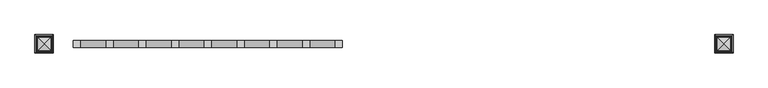
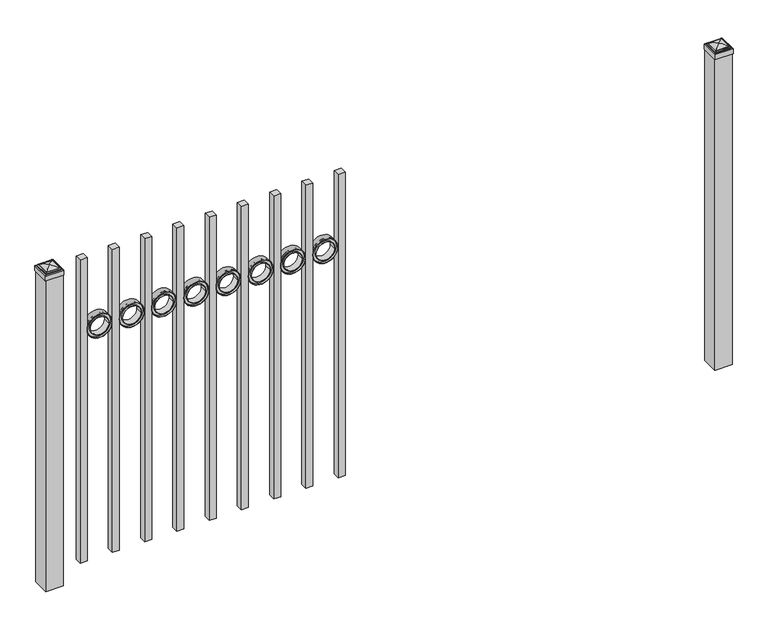
"""IFC4 building model written with IfcOpenShell, lengths in millimetres: railing geometry."""

from ifc_helpers import new_model, si_unit, point, frame, frame_2d, origin, origin_with_axes, place, context, project, spatial, polyline, circle_curve, ellipse_curve, trimmed, segment, composite_curve, outline, extrude, source, transform, mapped, element, save
from ifc_brep_helpers import plane_surface, cylinder_surface, advanced_brep


def railing_fc85cc21(model_context):
    return source(origin(), model_context, "Body", "SolidModel", [
        extrude(outline(polyline([(12529.9100064, 13429.619541), (12555.3100064, 13429.619541), (12555.3100064, 13404.219541), (12529.9100064, 13404.219541), (12529.9100064, 13429.619541)])), frame((0.0, 0.0, 50.8), z_axis=(0.0, 0.0, 1.0), x_axis=(1.0, 0.0, 0.0)), (0.0, 0.0, 1.0), 1168.4),
        extrude(outline(composite_curve([segment(trimmed(circle_curve(frame_2d((940.6040076, 12483.5338655)), 45.6988591), [point((940.6040076, 12529.2327246))], [point((940.6040076, 12437.8350064))], False, "CARTESIAN"), True, "CONTINUOUS"), segment(trimmed(circle_curve(frame_2d((940.6040076, 12483.5338655)), 45.6988591), [point((940.6040076, 12437.8350064))], [point((940.6040076, 12529.2327246))], False, "CARTESIAN"), True, "CONTINUOUS")], self_intersect=False), holes=[composite_curve([segment(trimmed(circle_curve(frame_2d((940.6040076, 12483.5338655)), 44.101539), [point((940.6040076, 12527.6354045))], [point((940.6040076, 12439.4323265))], True, "CARTESIAN"), True, "CONTINUOUS"), segment(trimmed(circle_curve(frame_2d((940.6040076, 12483.5338655)), 44.101539), [point((940.6040076, 12439.4323265))], [point((940.6040076, 12527.6354045))], True, "CARTESIAN"), True, "CONTINUOUS")], self_intersect=False)]), frame((0.0, 13404.219541, 0.0), z_axis=(0.0, 1.0, 0.0), x_axis=(0.0, 0.0, 1.0)), (0.0, 0.0, 1.0), 25.4),
        extrude(outline(composite_curve([segment(trimmed(circle_curve(frame_2d((940.6040076, 12483.5338655)), 34.6370762), [point((940.6040076, 12518.1709417))], [point((940.6040076, 12448.8967893))], False, "CARTESIAN"), True, "CONTINUOUS"), segment(trimmed(circle_curve(frame_2d((940.6040076, 12483.5338655)), 34.6370762), [point((940.6040076, 12448.8967893))], [point((940.6040076, 12518.1709417))], False, "CARTESIAN"), True, "CONTINUOUS")], self_intersect=False), holes=[composite_curve([segment(trimmed(circle_curve(frame_2d((940.6040076, 12483.5338655)), 33.0443887), [point((940.6040076, 12516.5782542))], [point((940.6040076, 12450.4894768))], True, "CARTESIAN"), True, "CONTINUOUS"), segment(trimmed(circle_curve(frame_2d((940.6040076, 12483.5338655)), 33.0443887), [point((940.6040076, 12450.4894768))], [point((940.6040076, 12516.5782542))], True, "CARTESIAN"), True, "CONTINUOUS")], self_intersect=False)]), frame((0.0, 13404.219541, 0.0), z_axis=(0.0, 1.0, 0.0), x_axis=(0.0, 0.0, 1.0)), (0.0, 0.0, 1.0), 25.4),
        extrude(outline(composite_curve([segment(trimmed(circle_curve(frame_2d((940.6040076, 12483.5338655)), 45.6988591), [point((940.6040076, 12529.2327246))], [point((940.6040076, 12437.8350064))], False, "CARTESIAN"), True, "CONTINUOUS"), segment(trimmed(circle_curve(frame_2d((940.6040076, 12483.5338655)), 45.6988591), [point((940.6040076, 12437.8350064))], [point((940.6040076, 12529.2327246))], False, "CARTESIAN"), True, "CONTINUOUS")], self_intersect=False), holes=[composite_curve([segment(trimmed(circle_curve(frame_2d((940.6040076, 12483.5338655)), 33.0443887), [point((940.6040076, 12516.5782542))], [point((940.6040076, 12450.4894768))], True, "CARTESIAN"), True, "CONTINUOUS"), segment(trimmed(circle_curve(frame_2d((940.6040076, 12483.5338655)), 33.0443887), [point((940.6040076, 12450.4894768))], [point((940.6040076, 12516.5782542))], True, "CARTESIAN"), True, "CONTINUOUS")], self_intersect=False)]), frame((0.0, 13410.569541, 0.0), z_axis=(0.0, 1.0, 0.0), x_axis=(0.0, 0.0, 1.0)), (0.0, 0.0, 1.0), 12.7),
        extrude(outline(polyline([(12412.4350064, 13429.619541), (12437.8350064, 13429.619541), (12437.8350064, 13404.219541), (12412.4350064, 13404.219541), (12412.4350064, 13429.619541)])), frame((0.0, 0.0, 50.8), z_axis=(0.0, 0.0, 1.0), x_axis=(1.0, 0.0, 0.0)), (0.0, 0.0, 1.0), 1168.4),
        extrude(outline(composite_curve([segment(trimmed(circle_curve(frame_2d((940.6040076, 12366.0588655)), 45.6988591), [point((940.6040076, 12411.7577246))], [point((940.6040076, 12320.3600064))], False, "CARTESIAN"), True, "CONTINUOUS"), segment(trimmed(circle_curve(frame_2d((940.6040076, 12366.0588655)), 45.6988591), [point((940.6040076, 12320.3600064))], [point((940.6040076, 12411.7577246))], False, "CARTESIAN"), True, "CONTINUOUS")], self_intersect=False), holes=[composite_curve([segment(trimmed(circle_curve(frame_2d((940.6040076, 12366.0588655)), 44.101539), [point((940.6040076, 12410.1604045))], [point((940.6040076, 12321.9573265))], True, "CARTESIAN"), True, "CONTINUOUS"), segment(trimmed(circle_curve(frame_2d((940.6040076, 12366.0588655)), 44.101539), [point((940.6040076, 12321.9573265))], [point((940.6040076, 12410.1604045))], True, "CARTESIAN"), True, "CONTINUOUS")], self_intersect=False)]), frame((0.0, 13404.219541, 0.0), z_axis=(0.0, 1.0, 0.0), x_axis=(0.0, 0.0, 1.0)), (0.0, 0.0, 1.0), 25.4),
        extrude(outline(composite_curve([segment(trimmed(circle_curve(frame_2d((940.6040076, 12366.0588655)), 34.6370762), [point((940.6040076, 12400.6959417))], [point((940.6040076, 12331.4217893))], False, "CARTESIAN"), True, "CONTINUOUS"), segment(trimmed(circle_curve(frame_2d((940.6040076, 12366.0588655)), 34.6370762), [point((940.6040076, 12331.4217893))], [point((940.6040076, 12400.6959417))], False, "CARTESIAN"), True, "CONTINUOUS")], self_intersect=False), holes=[composite_curve([segment(trimmed(circle_curve(frame_2d((940.6040076, 12366.0588655)), 33.0443887), [point((940.6040076, 12399.1032542))], [point((940.6040076, 12333.0144768))], True, "CARTESIAN"), True, "CONTINUOUS"), segment(trimmed(circle_curve(frame_2d((940.6040076, 12366.0588655)), 33.0443887), [point((940.6040076, 12333.0144768))], [point((940.6040076, 12399.1032542))], True, "CARTESIAN"), True, "CONTINUOUS")], self_intersect=False)]), frame((0.0, 13404.219541, 0.0), z_axis=(0.0, 1.0, 0.0), x_axis=(0.0, 0.0, 1.0)), (0.0, 0.0, 1.0), 25.4),
        extrude(outline(composite_curve([segment(trimmed(circle_curve(frame_2d((940.6040076, 12366.0588655)), 45.6988591), [point((940.6040076, 12411.7577246))], [point((940.6040076, 12320.3600064))], False, "CARTESIAN"), True, "CONTINUOUS"), segment(trimmed(circle_curve(frame_2d((940.6040076, 12366.0588655)), 45.6988591), [point((940.6040076, 12320.3600064))], [point((940.6040076, 12411.7577246))], False, "CARTESIAN"), True, "CONTINUOUS")], self_intersect=False), holes=[composite_curve([segment(trimmed(circle_curve(frame_2d((940.6040076, 12366.0588655)), 33.0443887), [point((940.6040076, 12399.1032542))], [point((940.6040076, 12333.0144768))], True, "CARTESIAN"), True, "CONTINUOUS"), segment(trimmed(circle_curve(frame_2d((940.6040076, 12366.0588655)), 33.0443887), [point((940.6040076, 12333.0144768))], [point((940.6040076, 12399.1032542))], True, "CARTESIAN"), True, "CONTINUOUS")], self_intersect=False)]), frame((0.0, 13410.569541, 0.0), z_axis=(0.0, 1.0, 0.0), x_axis=(0.0, 0.0, 1.0)), (0.0, 0.0, 1.0), 12.7),
        extrude(outline(polyline([(12294.9600064, 13429.619541), (12320.3600064, 13429.619541), (12320.3600064, 13404.219541), (12294.9600064, 13404.219541), (12294.9600064, 13429.619541)])), frame((0.0, 0.0, 50.8), z_axis=(0.0, 0.0, 1.0), x_axis=(1.0, 0.0, 0.0)), (0.0, 0.0, 1.0), 1168.4),
        extrude(outline(composite_curve([segment(trimmed(circle_curve(frame_2d((940.6040076, 12248.5838655)), 45.6988591), [point((940.6040076, 12294.2827246))], [point((940.6040076, 12202.8850064))], False, "CARTESIAN"), True, "CONTINUOUS"), segment(trimmed(circle_curve(frame_2d((940.6040076, 12248.5838655)), 45.6988591), [point((940.6040076, 12202.8850064))], [point((940.6040076, 12294.2827246))], False, "CARTESIAN"), True, "CONTINUOUS")], self_intersect=False), holes=[composite_curve([segment(trimmed(circle_curve(frame_2d((940.6040076, 12248.5838655)), 44.101539), [point((940.6040076, 12292.6854045))], [point((940.6040076, 12204.4823265))], True, "CARTESIAN"), True, "CONTINUOUS"), segment(trimmed(circle_curve(frame_2d((940.6040076, 12248.5838655)), 44.101539), [point((940.6040076, 12204.4823265))], [point((940.6040076, 12292.6854045))], True, "CARTESIAN"), True, "CONTINUOUS")], self_intersect=False)]), frame((0.0, 13404.219541, 0.0), z_axis=(0.0, 1.0, 0.0), x_axis=(0.0, 0.0, 1.0)), (0.0, 0.0, 1.0), 25.4),
        extrude(outline(composite_curve([segment(trimmed(circle_curve(frame_2d((940.6040076, 12248.5838655)), 34.6370762), [point((940.6040076, 12283.2209417))], [point((940.6040076, 12213.9467893))], False, "CARTESIAN"), True, "CONTINUOUS"), segment(trimmed(circle_curve(frame_2d((940.6040076, 12248.5838655)), 34.6370762), [point((940.6040076, 12213.9467893))], [point((940.6040076, 12283.2209417))], False, "CARTESIAN"), True, "CONTINUOUS")], self_intersect=False), holes=[composite_curve([segment(trimmed(circle_curve(frame_2d((940.6040076, 12248.5838655)), 33.0443887), [point((940.6040076, 12281.6282542))], [point((940.6040076, 12215.5394768))], True, "CARTESIAN"), True, "CONTINUOUS"), segment(trimmed(circle_curve(frame_2d((940.6040076, 12248.5838655)), 33.0443887), [point((940.6040076, 12215.5394768))], [point((940.6040076, 12281.6282542))], True, "CARTESIAN"), True, "CONTINUOUS")], self_intersect=False)]), frame((0.0, 13404.219541, 0.0), z_axis=(0.0, 1.0, 0.0), x_axis=(0.0, 0.0, 1.0)), (0.0, 0.0, 1.0), 25.4),
        extrude(outline(composite_curve([segment(trimmed(circle_curve(frame_2d((940.6040076, 12248.5838655)), 45.6988591), [point((940.6040076, 12294.2827246))], [point((940.6040076, 12202.8850064))], False, "CARTESIAN"), True, "CONTINUOUS"), segment(trimmed(circle_curve(frame_2d((940.6040076, 12248.5838655)), 45.6988591), [point((940.6040076, 12202.8850064))], [point((940.6040076, 12294.2827246))], False, "CARTESIAN"), True, "CONTINUOUS")], self_intersect=False), holes=[composite_curve([segment(trimmed(circle_curve(frame_2d((940.6040076, 12248.5838655)), 33.0443887), [point((940.6040076, 12281.6282542))], [point((940.6040076, 12215.5394768))], True, "CARTESIAN"), True, "CONTINUOUS"), segment(trimmed(circle_curve(frame_2d((940.6040076, 12248.5838655)), 33.0443887), [point((940.6040076, 12215.5394768))], [point((940.6040076, 12281.6282542))], True, "CARTESIAN"), True, "CONTINUOUS")], self_intersect=False)]), frame((0.0, 13410.569541, 0.0), z_axis=(0.0, 1.0, 0.0), x_axis=(0.0, 0.0, 1.0)), (0.0, 0.0, 1.0), 12.7),
        extrude(outline(polyline([(12177.4850064, 13429.619541), (12202.8850064, 13429.619541), (12202.8850064, 13404.219541), (12177.4850064, 13404.219541), (12177.4850064, 13429.619541)])), frame((0.0, 0.0, 50.8), z_axis=(0.0, 0.0, 1.0), x_axis=(1.0, 0.0, 0.0)), (0.0, 0.0, 1.0), 1168.4),
        extrude(outline(composite_curve([segment(trimmed(circle_curve(frame_2d((940.6040076, 12131.1088655)), 45.6988591), [point((940.6040076, 12176.8077246))], [point((940.6040076, 12085.4100064))], False, "CARTESIAN"), True, "CONTINUOUS"), segment(trimmed(circle_curve(frame_2d((940.6040076, 12131.1088655)), 45.6988591), [point((940.6040076, 12085.4100064))], [point((940.6040076, 12176.8077246))], False, "CARTESIAN"), True, "CONTINUOUS")], self_intersect=False), holes=[composite_curve([segment(trimmed(circle_curve(frame_2d((940.6040076, 12131.1088655)), 44.101539), [point((940.6040076, 12175.2104045))], [point((940.6040076, 12087.0073265))], True, "CARTESIAN"), True, "CONTINUOUS"), segment(trimmed(circle_curve(frame_2d((940.6040076, 12131.1088655)), 44.101539), [point((940.6040076, 12087.0073265))], [point((940.6040076, 12175.2104045))], True, "CARTESIAN"), True, "CONTINUOUS")], self_intersect=False)]), frame((0.0, 13404.219541, 0.0), z_axis=(0.0, 1.0, 0.0), x_axis=(0.0, 0.0, 1.0)), (0.0, 0.0, 1.0), 25.4),
        extrude(outline(composite_curve([segment(trimmed(circle_curve(frame_2d((940.6040076, 12131.1088655)), 34.6370762), [point((940.6040076, 12165.7459417))], [point((940.6040076, 12096.4717893))], False, "CARTESIAN"), True, "CONTINUOUS"), segment(trimmed(circle_curve(frame_2d((940.6040076, 12131.1088655)), 34.6370762), [point((940.6040076, 12096.4717893))], [point((940.6040076, 12165.7459417))], False, "CARTESIAN"), True, "CONTINUOUS")], self_intersect=False), holes=[composite_curve([segment(trimmed(circle_curve(frame_2d((940.6040076, 12131.1088655)), 33.0443887), [point((940.6040076, 12164.1532542))], [point((940.6040076, 12098.0644768))], True, "CARTESIAN"), True, "CONTINUOUS"), segment(trimmed(circle_curve(frame_2d((940.6040076, 12131.1088655)), 33.0443887), [point((940.6040076, 12098.0644768))], [point((940.6040076, 12164.1532542))], True, "CARTESIAN"), True, "CONTINUOUS")], self_intersect=False)]), frame((0.0, 13404.219541, 0.0), z_axis=(0.0, 1.0, 0.0), x_axis=(0.0, 0.0, 1.0)), (0.0, 0.0, 1.0), 25.4),
        extrude(outline(composite_curve([segment(trimmed(circle_curve(frame_2d((940.6040076, 12131.1088655)), 45.6988591), [point((940.6040076, 12176.8077246))], [point((940.6040076, 12085.4100064))], False, "CARTESIAN"), True, "CONTINUOUS"), segment(trimmed(circle_curve(frame_2d((940.6040076, 12131.1088655)), 45.6988591), [point((940.6040076, 12085.4100064))], [point((940.6040076, 12176.8077246))], False, "CARTESIAN"), True, "CONTINUOUS")], self_intersect=False), holes=[composite_curve([segment(trimmed(circle_curve(frame_2d((940.6040076, 12131.1088655)), 33.0443887), [point((940.6040076, 12164.1532542))], [point((940.6040076, 12098.0644768))], True, "CARTESIAN"), True, "CONTINUOUS"), segment(trimmed(circle_curve(frame_2d((940.6040076, 12131.1088655)), 33.0443887), [point((940.6040076, 12098.0644768))], [point((940.6040076, 12164.1532542))], True, "CARTESIAN"), True, "CONTINUOUS")], self_intersect=False)]), frame((0.0, 13410.569541, 0.0), z_axis=(0.0, 1.0, 0.0), x_axis=(0.0, 0.0, 1.0)), (0.0, 0.0, 1.0), 12.7),
        extrude(outline(polyline([(12060.0100064, 13429.619541), (12085.4100064, 13429.619541), (12085.4100064, 13404.219541), (12060.0100064, 13404.219541), (12060.0100064, 13429.619541)])), frame((0.0, 0.0, 50.8), z_axis=(0.0, 0.0, 1.0), x_axis=(1.0, 0.0, 0.0)), (0.0, 0.0, 1.0), 1168.4),
        extrude(outline(composite_curve([segment(trimmed(circle_curve(frame_2d((940.6040076, 12013.6338655)), 45.6988591), [point((940.6040076, 12059.3327246))], [point((940.6040076, 11967.9350064))], False, "CARTESIAN"), True, "CONTINUOUS"), segment(trimmed(circle_curve(frame_2d((940.6040076, 12013.6338655)), 45.6988591), [point((940.6040076, 11967.9350064))], [point((940.6040076, 12059.3327246))], False, "CARTESIAN"), True, "CONTINUOUS")], self_intersect=False), holes=[composite_curve([segment(trimmed(circle_curve(frame_2d((940.6040076, 12013.6338655)), 44.101539), [point((940.6040076, 12057.7354045))], [point((940.6040076, 11969.5323265))], True, "CARTESIAN"), True, "CONTINUOUS"), segment(trimmed(circle_curve(frame_2d((940.6040076, 12013.6338655)), 44.101539), [point((940.6040076, 11969.5323265))], [point((940.6040076, 12057.7354045))], True, "CARTESIAN"), True, "CONTINUOUS")], self_intersect=False)]), frame((0.0, 13404.219541, 0.0), z_axis=(0.0, 1.0, 0.0), x_axis=(0.0, 0.0, 1.0)), (0.0, 0.0, 1.0), 25.4),
        extrude(outline(composite_curve([segment(trimmed(circle_curve(frame_2d((940.6040076, 12013.6338655)), 34.6370762), [point((940.6040076, 12048.2709417))], [point((940.6040076, 11978.9967893))], False, "CARTESIAN"), True, "CONTINUOUS"), segment(trimmed(circle_curve(frame_2d((940.6040076, 12013.6338655)), 34.6370762), [point((940.6040076, 11978.9967893))], [point((940.6040076, 12048.2709417))], False, "CARTESIAN"), True, "CONTINUOUS")], self_intersect=False), holes=[composite_curve([segment(trimmed(circle_curve(frame_2d((940.6040076, 12013.6338655)), 33.0443887), [point((940.6040076, 12046.6782542))], [point((940.6040076, 11980.5894768))], True, "CARTESIAN"), True, "CONTINUOUS"), segment(trimmed(circle_curve(frame_2d((940.6040076, 12013.6338655)), 33.0443887), [point((940.6040076, 11980.5894768))], [point((940.6040076, 12046.6782542))], True, "CARTESIAN"), True, "CONTINUOUS")], self_intersect=False)]), frame((0.0, 13404.219541, 0.0), z_axis=(0.0, 1.0, 0.0), x_axis=(0.0, 0.0, 1.0)), (0.0, 0.0, 1.0), 25.4),
        extrude(outline(composite_curve([segment(trimmed(circle_curve(frame_2d((940.6040076, 12013.6338655)), 45.6988591), [point((940.6040076, 12059.3327246))], [point((940.6040076, 11967.9350064))], False, "CARTESIAN"), True, "CONTINUOUS"), segment(trimmed(circle_curve(frame_2d((940.6040076, 12013.6338655)), 45.6988591), [point((940.6040076, 11967.9350064))], [point((940.6040076, 12059.3327246))], False, "CARTESIAN"), True, "CONTINUOUS")], self_intersect=False), holes=[composite_curve([segment(trimmed(circle_curve(frame_2d((940.6040076, 12013.6338655)), 33.0443887), [point((940.6040076, 12046.6782542))], [point((940.6040076, 11980.5894768))], True, "CARTESIAN"), True, "CONTINUOUS"), segment(trimmed(circle_curve(frame_2d((940.6040076, 12013.6338655)), 33.0443887), [point((940.6040076, 11980.5894768))], [point((940.6040076, 12046.6782542))], True, "CARTESIAN"), True, "CONTINUOUS")], self_intersect=False)]), frame((0.0, 13410.569541, 0.0), z_axis=(0.0, 1.0, 0.0), x_axis=(0.0, 0.0, 1.0)), (0.0, 0.0, 1.0), 12.7),
        extrude(outline(polyline([(11942.5350064, 13429.619541), (11967.9350064, 13429.619541), (11967.9350064, 13404.219541), (11942.5350064, 13404.219541), (11942.5350064, 13429.619541)])), frame((0.0, 0.0, 50.8), z_axis=(0.0, 0.0, 1.0), x_axis=(1.0, 0.0, 0.0)), (0.0, 0.0, 1.0), 1168.4),
        extrude(outline(composite_curve([segment(trimmed(circle_curve(frame_2d((940.6040076, 11896.1588655)), 45.6988591), [point((940.6040076, 11941.8577246))], [point((940.6040076, 11850.4600064))], False, "CARTESIAN"), True, "CONTINUOUS"), segment(trimmed(circle_curve(frame_2d((940.6040076, 11896.1588655)), 45.6988591), [point((940.6040076, 11850.4600064))], [point((940.6040076, 11941.8577246))], False, "CARTESIAN"), True, "CONTINUOUS")], self_intersect=False), holes=[composite_curve([segment(trimmed(circle_curve(frame_2d((940.6040076, 11896.1588655)), 44.101539), [point((940.6040076, 11940.2604045))], [point((940.6040076, 11852.0573265))], True, "CARTESIAN"), True, "CONTINUOUS"), segment(trimmed(circle_curve(frame_2d((940.6040076, 11896.1588655)), 44.101539), [point((940.6040076, 11852.0573265))], [point((940.6040076, 11940.2604045))], True, "CARTESIAN"), True, "CONTINUOUS")], self_intersect=False)]), frame((0.0, 13404.219541, 0.0), z_axis=(0.0, 1.0, 0.0), x_axis=(0.0, 0.0, 1.0)), (0.0, 0.0, 1.0), 25.4),
        extrude(outline(composite_curve([segment(trimmed(circle_curve(frame_2d((940.6040076, 11896.1588655)), 34.6370762), [point((940.6040076, 11930.7959417))], [point((940.6040076, 11861.5217893))], False, "CARTESIAN"), True, "CONTINUOUS"), segment(trimmed(circle_curve(frame_2d((940.6040076, 11896.1588655)), 34.6370762), [point((940.6040076, 11861.5217893))], [point((940.6040076, 11930.7959417))], False, "CARTESIAN"), True, "CONTINUOUS")], self_intersect=False), holes=[composite_curve([segment(trimmed(circle_curve(frame_2d((940.6040076, 11896.1588655)), 33.0443887), [point((940.6040076, 11929.2032542))], [point((940.6040076, 11863.1144768))], True, "CARTESIAN"), True, "CONTINUOUS"), segment(trimmed(circle_curve(frame_2d((940.6040076, 11896.1588655)), 33.0443887), [point((940.6040076, 11863.1144768))], [point((940.6040076, 11929.2032542))], True, "CARTESIAN"), True, "CONTINUOUS")], self_intersect=False)]), frame((0.0, 13404.219541, 0.0), z_axis=(0.0, 1.0, 0.0), x_axis=(0.0, 0.0, 1.0)), (0.0, 0.0, 1.0), 25.4),
        extrude(outline(composite_curve([segment(trimmed(circle_curve(frame_2d((940.6040076, 11896.1588655)), 45.6988591), [point((940.6040076, 11941.8577246))], [point((940.6040076, 11850.4600064))], False, "CARTESIAN"), True, "CONTINUOUS"), segment(trimmed(circle_curve(frame_2d((940.6040076, 11896.1588655)), 45.6988591), [point((940.6040076, 11850.4600064))], [point((940.6040076, 11941.8577246))], False, "CARTESIAN"), True, "CONTINUOUS")], self_intersect=False), holes=[composite_curve([segment(trimmed(circle_curve(frame_2d((940.6040076, 11896.1588655)), 33.0443887), [point((940.6040076, 11929.2032542))], [point((940.6040076, 11863.1144768))], True, "CARTESIAN"), True, "CONTINUOUS"), segment(trimmed(circle_curve(frame_2d((940.6040076, 11896.1588655)), 33.0443887), [point((940.6040076, 11863.1144768))], [point((940.6040076, 11929.2032542))], True, "CARTESIAN"), True, "CONTINUOUS")], self_intersect=False)]), frame((0.0, 13410.569541, 0.0), z_axis=(0.0, 1.0, 0.0), x_axis=(0.0, 0.0, 1.0)), (0.0, 0.0, 1.0), 12.7),
        extrude(outline(polyline([(11825.0600064, 13429.619541), (11850.4600064, 13429.619541), (11850.4600064, 13404.219541), (11825.0600064, 13404.219541), (11825.0600064, 13429.619541)])), frame((0.0, 0.0, 50.8), z_axis=(0.0, 0.0, 1.0), x_axis=(1.0, 0.0, 0.0)), (0.0, 0.0, 1.0), 1168.4),
        extrude(outline(composite_curve([segment(trimmed(circle_curve(frame_2d((940.6040076, 11778.6838655)), 45.6988591), [point((940.6040076, 11824.3827246))], [point((940.6040076, 11732.9850064))], False, "CARTESIAN"), True, "CONTINUOUS"), segment(trimmed(circle_curve(frame_2d((940.6040076, 11778.6838655)), 45.6988591), [point((940.6040076, 11732.9850064))], [point((940.6040076, 11824.3827246))], False, "CARTESIAN"), True, "CONTINUOUS")], self_intersect=False), holes=[composite_curve([segment(trimmed(circle_curve(frame_2d((940.6040076, 11778.6838655)), 44.101539), [point((940.6040076, 11822.7854045))], [point((940.6040076, 11734.5823265))], True, "CARTESIAN"), True, "CONTINUOUS"), segment(trimmed(circle_curve(frame_2d((940.6040076, 11778.6838655)), 44.101539), [point((940.6040076, 11734.5823265))], [point((940.6040076, 11822.7854045))], True, "CARTESIAN"), True, "CONTINUOUS")], self_intersect=False)]), frame((0.0, 13404.219541, 0.0), z_axis=(0.0, 1.0, 0.0), x_axis=(0.0, 0.0, 1.0)), (0.0, 0.0, 1.0), 25.4),
        extrude(outline(composite_curve([segment(trimmed(circle_curve(frame_2d((940.6040076, 11778.6838655)), 34.6370762), [point((940.6040076, 11813.3209417))], [point((940.6040076, 11744.0467893))], False, "CARTESIAN"), True, "CONTINUOUS"), segment(trimmed(circle_curve(frame_2d((940.6040076, 11778.6838655)), 34.6370762), [point((940.6040076, 11744.0467893))], [point((940.6040076, 11813.3209417))], False, "CARTESIAN"), True, "CONTINUOUS")], self_intersect=False), holes=[composite_curve([segment(trimmed(circle_curve(frame_2d((940.6040076, 11778.6838655)), 33.0443887), [point((940.6040076, 11811.7282542))], [point((940.6040076, 11745.6394768))], True, "CARTESIAN"), True, "CONTINUOUS"), segment(trimmed(circle_curve(frame_2d((940.6040076, 11778.6838655)), 33.0443887), [point((940.6040076, 11745.6394768))], [point((940.6040076, 11811.7282542))], True, "CARTESIAN"), True, "CONTINUOUS")], self_intersect=False)]), frame((0.0, 13404.219541, 0.0), z_axis=(0.0, 1.0, 0.0), x_axis=(0.0, 0.0, 1.0)), (0.0, 0.0, 1.0), 25.4),
        extrude(outline(composite_curve([segment(trimmed(circle_curve(frame_2d((940.6040076, 11778.6838655)), 45.6988591), [point((940.6040076, 11824.3827246))], [point((940.6040076, 11732.9850064))], False, "CARTESIAN"), True, "CONTINUOUS"), segment(trimmed(circle_curve(frame_2d((940.6040076, 11778.6838655)), 45.6988591), [point((940.6040076, 11732.9850064))], [point((940.6040076, 11824.3827246))], False, "CARTESIAN"), True, "CONTINUOUS")], self_intersect=False), holes=[composite_curve([segment(trimmed(circle_curve(frame_2d((940.6040076, 11778.6838655)), 33.0443887), [point((940.6040076, 11811.7282542))], [point((940.6040076, 11745.6394768))], True, "CARTESIAN"), True, "CONTINUOUS"), segment(trimmed(circle_curve(frame_2d((940.6040076, 11778.6838655)), 33.0443887), [point((940.6040076, 11745.6394768))], [point((940.6040076, 11811.7282542))], True, "CARTESIAN"), True, "CONTINUOUS")], self_intersect=False)]), frame((0.0, 13410.569541, 0.0), z_axis=(0.0, 1.0, 0.0), x_axis=(0.0, 0.0, 1.0)), (0.0, 0.0, 1.0), 12.7),
        extrude(outline(polyline([(11707.5850064, 13429.619541), (11732.9850064, 13429.619541), (11732.9850064, 13404.219541), (11707.5850064, 13404.219541), (11707.5850064, 13429.619541)])), frame((0.0, 0.0, 50.8), z_axis=(0.0, 0.0, 1.0), x_axis=(1.0, 0.0, 0.0)), (0.0, 0.0, 1.0), 1168.4),
        extrude(outline(composite_curve([segment(trimmed(circle_curve(frame_2d((940.6040076, 11661.2088655)), 45.6988591), [point((940.6040076, 11706.9077246))], [point((940.6040076, 11615.5100064))], False, "CARTESIAN"), True, "CONTINUOUS"), segment(trimmed(circle_curve(frame_2d((940.6040076, 11661.2088655)), 45.6988591), [point((940.6040076, 11615.5100064))], [point((940.6040076, 11706.9077246))], False, "CARTESIAN"), True, "CONTINUOUS")], self_intersect=False), holes=[composite_curve([segment(trimmed(circle_curve(frame_2d((940.6040076, 11661.2088655)), 44.101539), [point((940.6040076, 11705.3104045))], [point((940.6040076, 11617.1073265))], True, "CARTESIAN"), True, "CONTINUOUS"), segment(trimmed(circle_curve(frame_2d((940.6040076, 11661.2088655)), 44.101539), [point((940.6040076, 11617.1073265))], [point((940.6040076, 11705.3104045))], True, "CARTESIAN"), True, "CONTINUOUS")], self_intersect=False)]), frame((0.0, 13404.219541, 0.0), z_axis=(0.0, 1.0, 0.0), x_axis=(0.0, 0.0, 1.0)), (0.0, 0.0, 1.0), 25.4),
        extrude(outline(composite_curve([segment(trimmed(circle_curve(frame_2d((940.6040076, 11661.2088655)), 34.6370762), [point((940.6040076, 11695.8459417))], [point((940.6040076, 11626.5717893))], False, "CARTESIAN"), True, "CONTINUOUS"), segment(trimmed(circle_curve(frame_2d((940.6040076, 11661.2088655)), 34.6370762), [point((940.6040076, 11626.5717893))], [point((940.6040076, 11695.8459417))], False, "CARTESIAN"), True, "CONTINUOUS")], self_intersect=False), holes=[composite_curve([segment(trimmed(circle_curve(frame_2d((940.6040076, 11661.2088655)), 33.0443887), [point((940.6040076, 11694.2532542))], [point((940.6040076, 11628.1644768))], True, "CARTESIAN"), True, "CONTINUOUS"), segment(trimmed(circle_curve(frame_2d((940.6040076, 11661.2088655)), 33.0443887), [point((940.6040076, 11628.1644768))], [point((940.6040076, 11694.2532542))], True, "CARTESIAN"), True, "CONTINUOUS")], self_intersect=False)]), frame((0.0, 13404.219541, 0.0), z_axis=(0.0, 1.0, 0.0), x_axis=(0.0, 0.0, 1.0)), (0.0, 0.0, 1.0), 25.4),
        extrude(outline(composite_curve([segment(trimmed(circle_curve(frame_2d((940.6040076, 11661.2088655)), 45.6988591), [point((940.6040076, 11706.9077246))], [point((940.6040076, 11615.5100064))], False, "CARTESIAN"), True, "CONTINUOUS"), segment(trimmed(circle_curve(frame_2d((940.6040076, 11661.2088655)), 45.6988591), [point((940.6040076, 11615.5100064))], [point((940.6040076, 11706.9077246))], False, "CARTESIAN"), True, "CONTINUOUS")], self_intersect=False), holes=[composite_curve([segment(trimmed(circle_curve(frame_2d((940.6040076, 11661.2088655)), 33.0443887), [point((940.6040076, 11694.2532542))], [point((940.6040076, 11628.1644768))], True, "CARTESIAN"), True, "CONTINUOUS"), segment(trimmed(circle_curve(frame_2d((940.6040076, 11661.2088655)), 33.0443887), [point((940.6040076, 11628.1644768))], [point((940.6040076, 11694.2532542))], True, "CARTESIAN"), True, "CONTINUOUS")], self_intersect=False)]), frame((0.0, 13410.569541, 0.0), z_axis=(0.0, 1.0, 0.0), x_axis=(0.0, 0.0, 1.0)), (0.0, 0.0, 1.0), 12.7),
        extrude(outline(polyline([(11590.1100064, 13429.619541), (11615.5100064, 13429.619541), (11615.5100064, 13404.219541), (11590.1100064, 13404.219541), (11590.1100064, 13429.619541)])), frame((0.0, 0.0, 50.8), z_axis=(0.0, 0.0, 1.0), x_axis=(1.0, 0.0, 0.0)), (0.0, 0.0, 1.0), 1168.4),
        extrude(outline(polyline([(13955.4850064, 13448.669541), (13955.4850064, 13385.169541), (13891.9850064, 13385.169541), (13891.9850064, 13448.669541), (13955.4850064, 13448.669541)])), origin_with_axes(), (0.0, 0.0, 1.0), 1198.5625),
        advanced_brep(
        [(13890.3975064, 13450.257041, 1216.81875), (13890.3975064, 13450.257041, 1198.5625), (13890.3975064, 13383.582041, 1198.5625), (13890.3975064, 13383.582041, 1216.81875), (13892.7787564, 13447.875791, 1219.2), (13892.7787564, 13385.963291, 1219.2), (13895.1600064, 13445.494541, 1221.58125), (13895.1600064, 13445.494541, 1219.2), (13895.1600064, 13388.344541, 1219.2), (13895.1600064, 13388.344541, 1221.58125), (13897.5412564, 13443.113291, 1223.9625), (13897.5412564, 13390.725791, 1223.9625), (13923.7350064, 13416.919541, 1230.3125), (13899.9225064, 13440.732041, 1223.9625), (13899.9225064, 13393.107041, 1223.9625), (13957.0725064, 13383.582041, 1198.5625), (13957.0725064, 13383.582041, 1216.81875), (13954.6912564, 13385.963291, 1219.2), (13952.3100064, 13388.344541, 1219.2), (13952.3100064, 13388.344541, 1221.58125), (13949.9287564, 13390.725791, 1223.9625), (13947.5475064, 13393.107041, 1223.9625), (13957.0725064, 13450.257041, 1198.5625), (13957.0725064, 13450.257041, 1216.81875), (13954.6912564, 13447.875791, 1219.2), (13952.3100064, 13445.494541, 1219.2), (13952.3100064, 13445.494541, 1221.58125), (13949.9287564, 13443.113291, 1223.9625), (13947.5475064, 13440.732041, 1223.9625)],
        [
            (0, 1),
            (1, 2),
            (2, 3),
            (3, 0),
            (4, 0, ellipse_curve(frame((13892.7787564, 13447.875791, 1216.81875), z_axis=(-0.70710678118655, -0.7071067811865449, 0.0), x_axis=(-0.7071067811865448, 0.7071067811865501, 0.0)), 3.367596, 2.38125)),
            (3, 5, ellipse_curve(frame((13892.7787564, 13385.963291, 1216.81875), z_axis=(-0.7071067811865449, 0.70710678118655, 0.0), x_axis=(0.7071067811865499, 0.707106781186545, 0.0)), 3.367596, 2.38125)),
            (5, 4),
            (6, 7),
            (7, 8),
            (8, 9),
            (9, 6),
            (10, 6, ellipse_curve(frame((13897.5412564, 13443.113291, 1221.58125), z_axis=(-0.70710678118655, -0.7071067811865449, 0.0), x_axis=(-0.7071067811865448, 0.7071067811865501, 0.0)), 3.367596, 2.38125)),
            (9, 11, ellipse_curve(frame((13897.5412564, 13390.725791, 1221.58125), z_axis=(-0.7071067811865449, 0.70710678118655, 0.0), x_axis=(0.7071067811865499, 0.707106781186545, 0.0)), 3.367596, 2.38125)),
            (11, 10),
            (12, 13, ellipse_curve(frame((13923.7350064, 13416.919541, 1182.4890625), z_axis=(-0.70710678118655, -0.7071067811865449, 0.0), x_axis=(-0.7071067811865448, 0.7071067811865501, 0.0)), 67.6325539, 47.8234375)),
            (13, 14),
            (14, 12, ellipse_curve(frame((13923.7350064, 13416.919541, 1182.4890625), z_axis=(-0.7071067811865449, 0.70710678118655, 0.0), x_axis=(0.7071067811865499, 0.707106781186545, 0.0)), 67.6325539, 47.8234375)),
            (2, 15),
            (15, 16),
            (16, 3),
            (16, 17, ellipse_curve(frame((13954.6912564, 13385.963291, 1216.81875), z_axis=(-0.70710678118655, -0.707106781186545, 0.0), x_axis=(-0.707106781186545, 0.70710678118655, 0.0)), 3.367596, 2.38125)),
            (17, 5),
            (8, 18),
            (18, 19),
            (19, 9),
            (19, 20, ellipse_curve(frame((13949.9287564, 13390.725791, 1221.58125), z_axis=(-0.70710678118655, -0.707106781186545, 0.0), x_axis=(-0.707106781186545, 0.70710678118655, 0.0)), 3.367596, 2.38125)),
            (20, 11),
            (14, 21),
            (21, 12, ellipse_curve(frame((13923.7350064, 13416.919541, 1182.4890625), z_axis=(-0.70710678118655, -0.707106781186545, 0.0), x_axis=(-0.707106781186545, 0.70710678118655, 0.0)), 67.6325539, 47.8234375)),
            (15, 22),
            (22, 23),
            (23, 16),
            (23, 24, ellipse_curve(frame((13954.6912564, 13447.875791, 1216.81875), z_axis=(0.707106781186545, -0.7071067811865499, 0.0), x_axis=(-0.7071067811865497, -0.7071067811865452, 0.0)), 3.367596, 2.38125)),
            (24, 17),
            (18, 25),
            (25, 26),
            (26, 19),
            (26, 27, ellipse_curve(frame((13949.9287564, 13443.113291, 1221.58125), z_axis=(0.707106781186545, -0.7071067811865499, 0.0), x_axis=(-0.7071067811865497, -0.7071067811865452, 0.0)), 3.367596, 2.38125)),
            (27, 20),
            (21, 28),
            (28, 12, ellipse_curve(frame((13923.7350064, 13416.919541, 1182.4890625), z_axis=(0.707106781186545, -0.7071067811865499, 0.0), x_axis=(-0.7071067811865497, -0.7071067811865452, 0.0)), 67.6325539, 47.8234375)),
            (22, 1),
            (0, 23),
            (4, 24),
            (7, 25),
            (6, 26),
            (10, 27),
            (13, 28),
        ],
        [
            plane_surface(frame((13890.3975064, 13450.257041, 1198.5625), z_axis=(-1.0, 0.0, 0.0), x_axis=(0.0, -1.0, 0.0))),
            cylinder_surface(frame((13892.7787564, 13448.669541, 1216.81875), z_axis=(0.0, 1.0, 0.0), x_axis=(1.0, 0.0, 0.0)), 2.38125),
            plane_surface(frame((13895.1600064, 13445.494541, 1219.2), z_axis=(-1.0, 0.0, 0.0), x_axis=(0.0, -1.0, 0.0))),
            cylinder_surface(frame((13897.5412564, 13448.669541, 1221.58125), z_axis=(0.0, 1.0, 0.0), x_axis=(1.0, 0.0, 0.0)), 2.38125),
            cylinder_surface(frame((13923.7350064, 13448.669541, 1182.4890625), z_axis=(0.0, 1.0, 0.0), x_axis=(1.0, 0.0, 0.0)), 47.8234375),
            plane_surface(frame((13890.3975064, 13383.582041, 1198.5625), z_axis=(0.0, -1.0, 0.0), x_axis=(1.0, 0.0, 0.0))),
            cylinder_surface(frame((13891.9850064, 13385.963291, 1216.81875), z_axis=(-1.0, 0.0, 0.0), x_axis=(0.0, 1.0, 0.0)), 2.38125),
            plane_surface(frame((13895.1600064, 13388.344541, 1219.2), z_axis=(0.0, -1.0, 0.0), x_axis=(1.0, 0.0, 0.0))),
            cylinder_surface(frame((13891.9850064, 13390.725791, 1221.58125), z_axis=(-1.0, 0.0, 0.0), x_axis=(0.0, 1.0, 0.0)), 2.38125),
            cylinder_surface(frame((13891.9850064, 13416.919541, 1182.4890625), z_axis=(-1.0, 0.0, 0.0), x_axis=(0.0, 1.0, 0.0)), 47.8234375),
            plane_surface(frame((13957.0725064, 13383.582041, 1198.5625), z_axis=(1.0, 0.0, 0.0), x_axis=(0.0, 1.0, 0.0))),
            cylinder_surface(frame((13954.6912564, 13385.169541, 1216.81875), z_axis=(0.0, -1.0, 0.0), x_axis=(-1.0, 0.0, 0.0)), 2.38125),
            plane_surface(frame((13952.3100064, 13388.344541, 1219.2), z_axis=(1.0, 0.0, 0.0), x_axis=(0.0, 1.0, 0.0))),
            cylinder_surface(frame((13949.9287564, 13385.169541, 1221.58125), z_axis=(0.0, -1.0, 0.0), x_axis=(-1.0, 0.0, 0.0)), 2.38125),
            cylinder_surface(frame((13923.7350064, 13385.169541, 1182.4890625), z_axis=(0.0, -1.0, 0.0), x_axis=(-1.0, 0.0, 0.0)), 47.8234375),
            plane_surface(frame((13957.0725064, 13450.257041, 1198.5625), z_axis=(0.0, 1.0, 0.0), x_axis=(-1.0, 0.0, 0.0))),
            cylinder_surface(frame((13955.4850064, 13447.875791, 1216.81875), z_axis=(1.0, 0.0, 0.0), x_axis=(0.0, -1.0, 0.0)), 2.38125),
            plane_surface(frame((13954.6912564, 13447.875791, 1219.2), z_axis=(0.0, 0.0, 1.0), x_axis=(-1.0, 0.0, 0.0))),
            plane_surface(frame((13952.3100064, 13445.494541, 1219.2), z_axis=(0.0, 1.0, 0.0), x_axis=(-1.0, 0.0, 0.0))),
            cylinder_surface(frame((13955.4850064, 13443.113291, 1221.58125), z_axis=(1.0, 0.0, 0.0), x_axis=(0.0, -1.0, 0.0)), 2.38125),
            plane_surface(frame((13949.9287564, 13443.113291, 1223.9625), z_axis=(0.0, 0.0, 1.0), x_axis=(-1.0, 0.0, 0.0))),
            cylinder_surface(frame((13955.4850064, 13416.919541, 1182.4890625), z_axis=(1.0, 0.0, 0.0), x_axis=(0.0, -1.0, 0.0)), 47.8234375),
            plane_surface(frame((13923.7350064, 13416.919541, 1198.5625), z_axis=(0.0, 0.0, -1.0), x_axis=(-1.0, 0.0, 0.0))),
        ],
        [
            (0, [[1, 2, 3, 4]]),
            (1, [[5, -4, 6, 7]]),
            (2, [[8, 9, 10, 11]]),
            (3, [[12, -11, 13, 14]]),
            (4, [[15, 16, 17]]),
            (5, [[-3, 18, 19, 20]]),
            (6, [[-6, -20, 21, 22]]),
            (7, [[-10, 23, 24, 25]]),
            (8, [[-13, -25, 26, 27]]),
            (9, [[-17, 28, 29]]),
            (10, [[-19, 30, 31, 32]]),
            (11, [[-21, -32, 33, 34]]),
            (12, [[-24, 35, 36, 37]]),
            (13, [[-26, -37, 38, 39]]),
            (14, [[-29, 40, 41]]),
            (15, [[-31, 42, -1, 43]]),
            (16, [[-33, -43, -5, 44]]),
            (17, [[-22, -34, -44, -7], [45, -35, -23, -9]]),
            (18, [[-36, -45, -8, 46]]),
            (19, [[-38, -46, -12, 47]]),
            (20, [[-27, -39, -47, -14], [48, -40, -28, -16]]),
            (21, [[-41, -48, -15]]),
            (22, [[-42, -30, -18, -2]]),
        ],
    ),
        extrude(outline(polyline([(11517.0850064, 13448.669541), (11517.0850064, 13385.169541), (11453.5850064, 13385.169541), (11453.5850064, 13448.669541), (11517.0850064, 13448.669541)])), origin_with_axes(), (0.0, 0.0, 1.0), 1198.5625),
        advanced_brep(
        [(11451.9975064, 13450.257041, 1216.81875), (11451.9975064, 13450.257041, 1198.5625), (11451.9975064, 13383.582041, 1198.5625), (11451.9975064, 13383.582041, 1216.81875), (11454.3787564, 13447.875791, 1219.2), (11454.3787564, 13385.963291, 1219.2), (11456.7600064, 13445.494541, 1221.58125), (11456.7600064, 13445.494541, 1219.2), (11456.7600064, 13388.344541, 1219.2), (11456.7600064, 13388.344541, 1221.58125), (11459.1412564, 13443.113291, 1223.9625), (11459.1412564, 13390.725791, 1223.9625), (11485.3350064, 13416.919541, 1230.3125), (11461.5225064, 13440.732041, 1223.9625), (11461.5225064, 13393.107041, 1223.9625), (11518.6725064, 13383.582041, 1198.5625), (11518.6725064, 13383.582041, 1216.81875), (11516.2912564, 13385.963291, 1219.2), (11513.9100064, 13388.344541, 1219.2), (11513.9100064, 13388.344541, 1221.58125), (11511.5287564, 13390.725791, 1223.9625), (11509.1475064, 13393.107041, 1223.9625), (11518.6725064, 13450.257041, 1198.5625), (11518.6725064, 13450.257041, 1216.81875), (11516.2912564, 13447.875791, 1219.2), (11513.9100064, 13445.494541, 1219.2), (11513.9100064, 13445.494541, 1221.58125), (11511.5287564, 13443.113291, 1223.9625), (11509.1475064, 13440.732041, 1223.9625)],
        [
            (0, 1),
            (1, 2),
            (2, 3),
            (3, 0),
            (4, 0, ellipse_curve(frame((11454.3787564, 13447.875791, 1216.81875), z_axis=(-0.70710678118655, -0.7071067811865449, 0.0), x_axis=(-0.7071067811865448, 0.7071067811865501, 0.0)), 3.367596, 2.38125)),
            (3, 5, ellipse_curve(frame((11454.3787564, 13385.963291, 1216.81875), z_axis=(-0.7071067811865449, 0.70710678118655, 0.0), x_axis=(0.7071067811865499, 0.707106781186545, 0.0)), 3.367596, 2.38125)),
            (5, 4),
            (6, 7),
            (7, 8),
            (8, 9),
            (9, 6),
            (10, 6, ellipse_curve(frame((11459.1412564, 13443.113291, 1221.58125), z_axis=(-0.70710678118655, -0.7071067811865449, 0.0), x_axis=(-0.7071067811865448, 0.7071067811865501, 0.0)), 3.367596, 2.38125)),
            (9, 11, ellipse_curve(frame((11459.1412564, 13390.725791, 1221.58125), z_axis=(-0.7071067811865449, 0.70710678118655, 0.0), x_axis=(0.7071067811865499, 0.707106781186545, 0.0)), 3.367596, 2.38125)),
            (11, 10),
            (12, 13, ellipse_curve(frame((11485.3350064, 13416.919541, 1182.4890625), z_axis=(-0.70710678118655, -0.7071067811865449, 0.0), x_axis=(-0.7071067811865448, 0.7071067811865501, 0.0)), 67.6325539, 47.8234375)),
            (13, 14),
            (14, 12, ellipse_curve(frame((11485.3350064, 13416.919541, 1182.4890625), z_axis=(-0.7071067811865449, 0.70710678118655, 0.0), x_axis=(0.7071067811865499, 0.707106781186545, 0.0)), 67.6325539, 47.8234375)),
            (2, 15),
            (15, 16),
            (16, 3),
            (16, 17, ellipse_curve(frame((11516.2912564, 13385.963291, 1216.81875), z_axis=(-0.70710678118655, -0.707106781186545, 0.0), x_axis=(-0.707106781186545, 0.70710678118655, 0.0)), 3.367596, 2.38125)),
            (17, 5),
            (8, 18),
            (18, 19),
            (19, 9),
            (19, 20, ellipse_curve(frame((11511.5287564, 13390.725791, 1221.58125), z_axis=(-0.70710678118655, -0.707106781186545, 0.0), x_axis=(-0.707106781186545, 0.70710678118655, 0.0)), 3.367596, 2.38125)),
            (20, 11),
            (14, 21),
            (21, 12, ellipse_curve(frame((11485.3350064, 13416.919541, 1182.4890625), z_axis=(-0.70710678118655, -0.707106781186545, 0.0), x_axis=(-0.707106781186545, 0.70710678118655, 0.0)), 67.6325539, 47.8234375)),
            (15, 22),
            (22, 23),
            (23, 16),
            (23, 24, ellipse_curve(frame((11516.2912564, 13447.875791, 1216.81875), z_axis=(0.707106781186545, -0.7071067811865499, 0.0), x_axis=(-0.7071067811865497, -0.7071067811865452, 0.0)), 3.367596, 2.38125)),
            (24, 17),
            (18, 25),
            (25, 26),
            (26, 19),
            (26, 27, ellipse_curve(frame((11511.5287564, 13443.113291, 1221.58125), z_axis=(0.707106781186545, -0.7071067811865499, 0.0), x_axis=(-0.7071067811865497, -0.7071067811865452, 0.0)), 3.367596, 2.38125)),
            (27, 20),
            (21, 28),
            (28, 12, ellipse_curve(frame((11485.3350064, 13416.919541, 1182.4890625), z_axis=(0.707106781186545, -0.7071067811865499, 0.0), x_axis=(-0.7071067811865497, -0.7071067811865452, 0.0)), 67.6325539, 47.8234375)),
            (22, 1),
            (0, 23),
            (4, 24),
            (7, 25),
            (6, 26),
            (10, 27),
            (13, 28),
        ],
        [
            plane_surface(frame((11451.9975064, 13450.257041, 1198.5625), z_axis=(-1.0, 0.0, 0.0), x_axis=(0.0, -1.0, 0.0))),
            cylinder_surface(frame((11454.3787564, 13448.669541, 1216.81875), z_axis=(0.0, 1.0, 0.0), x_axis=(1.0, 0.0, 0.0)), 2.38125),
            plane_surface(frame((11456.7600064, 13445.494541, 1219.2), z_axis=(-1.0, 0.0, 0.0), x_axis=(0.0, -1.0, 0.0))),
            cylinder_surface(frame((11459.1412564, 13448.669541, 1221.58125), z_axis=(0.0, 1.0, 0.0), x_axis=(1.0, 0.0, 0.0)), 2.38125),
            cylinder_surface(frame((11485.3350064, 13448.669541, 1182.4890625), z_axis=(0.0, 1.0, 0.0), x_axis=(1.0, 0.0, 0.0)), 47.8234375),
            plane_surface(frame((11451.9975064, 13383.582041, 1198.5625), z_axis=(0.0, -1.0, 0.0), x_axis=(1.0, 0.0, 0.0))),
            cylinder_surface(frame((11453.5850064, 13385.963291, 1216.81875), z_axis=(-1.0, 0.0, 0.0), x_axis=(0.0, 1.0, 0.0)), 2.38125),
            plane_surface(frame((11456.7600064, 13388.344541, 1219.2), z_axis=(0.0, -1.0, 0.0), x_axis=(1.0, 0.0, 0.0))),
            cylinder_surface(frame((11453.5850064, 13390.725791, 1221.58125), z_axis=(-1.0, 0.0, 0.0), x_axis=(0.0, 1.0, 0.0)), 2.38125),
            cylinder_surface(frame((11453.5850064, 13416.919541, 1182.4890625), z_axis=(-1.0, 0.0, 0.0), x_axis=(0.0, 1.0, 0.0)), 47.8234375),
            plane_surface(frame((11518.6725064, 13383.582041, 1198.5625), z_axis=(1.0, 0.0, 0.0), x_axis=(0.0, 1.0, 0.0))),
            cylinder_surface(frame((11516.2912564, 13385.169541, 1216.81875), z_axis=(0.0, -1.0, 0.0), x_axis=(-1.0, 0.0, 0.0)), 2.38125),
            plane_surface(frame((11513.9100064, 13388.344541, 1219.2), z_axis=(1.0, 0.0, 0.0), x_axis=(0.0, 1.0, 0.0))),
            cylinder_surface(frame((11511.5287564, 13385.169541, 1221.58125), z_axis=(0.0, -1.0, 0.0), x_axis=(-1.0, 0.0, 0.0)), 2.38125),
            cylinder_surface(frame((11485.3350064, 13385.169541, 1182.4890625), z_axis=(0.0, -1.0, 0.0), x_axis=(-1.0, 0.0, 0.0)), 47.8234375),
            plane_surface(frame((11518.6725064, 13450.257041, 1198.5625), z_axis=(0.0, 1.0, 0.0), x_axis=(-1.0, 0.0, 0.0))),
            cylinder_surface(frame((11517.0850064, 13447.875791, 1216.81875), z_axis=(1.0, 0.0, 0.0), x_axis=(0.0, -1.0, 0.0)), 2.38125),
            plane_surface(frame((11516.2912564, 13447.875791, 1219.2), z_axis=(0.0, 0.0, 1.0), x_axis=(-1.0, 0.0, 0.0))),
            plane_surface(frame((11513.9100064, 13445.494541, 1219.2), z_axis=(0.0, 1.0, 0.0), x_axis=(-1.0, 0.0, 0.0))),
            cylinder_surface(frame((11517.0850064, 13443.113291, 1221.58125), z_axis=(1.0, 0.0, 0.0), x_axis=(0.0, -1.0, 0.0)), 2.38125),
            plane_surface(frame((11511.5287564, 13443.113291, 1223.9625), z_axis=(0.0, 0.0, 1.0), x_axis=(-1.0, 0.0, 0.0))),
            cylinder_surface(frame((11517.0850064, 13416.919541, 1182.4890625), z_axis=(1.0, 0.0, 0.0), x_axis=(0.0, -1.0, 0.0)), 47.8234375),
            plane_surface(frame((11485.3350064, 13416.919541, 1198.5625), z_axis=(0.0, 0.0, -1.0), x_axis=(-1.0, 0.0, 0.0))),
        ],
        [
            (0, [[1, 2, 3, 4]]),
            (1, [[5, -4, 6, 7]]),
            (2, [[8, 9, 10, 11]]),
            (3, [[12, -11, 13, 14]]),
            (4, [[15, 16, 17]]),
            (5, [[-3, 18, 19, 20]]),
            (6, [[-6, -20, 21, 22]]),
            (7, [[-10, 23, 24, 25]]),
            (8, [[-13, -25, 26, 27]]),
            (9, [[-17, 28, 29]]),
            (10, [[-19, 30, 31, 32]]),
            (11, [[-21, -32, 33, 34]]),
            (12, [[-24, 35, 36, 37]]),
            (13, [[-26, -37, 38, 39]]),
            (14, [[-29, 40, 41]]),
            (15, [[-31, 42, -1, 43]]),
            (16, [[-33, -43, -5, 44]]),
            (17, [[-22, -34, -44, -7], [45, -35, -23, -9]]),
            (18, [[-36, -45, -8, 46]]),
            (19, [[-38, -46, -12, 47]]),
            (20, [[-27, -39, -47, -14], [48, -40, -28, -16]]),
            (21, [[-41, -48, -15]]),
            (22, [[-42, -30, -18, -2]]),
        ],
    ),
    ])


if __name__ == "__main__":
    model = new_model("IFC4")
    model_context = context("Model", 3, world=origin())
    ifc_project = project(units=[si_unit("LENGTHUNIT", "METRE", prefix="MILLI")], contexts=[model_context])
    site = spatial("IfcSite", under=ifc_project)
    building = spatial("IfcBuilding", under=site)
    placement = place(None, origin())
    railing_shape = railing_fc85cc21(model_context)
    element("IfcRailing", 1, at=placement, inside=building, context=model_context, shape_type="MappedRepresentation", body=[
        mapped(railing_shape, transform((0.0, 0.0, 0.0), x_axis=(1.0, 0.0, 0.0), y_axis=(0.0, 1.0, 0.0), z_axis=(0.0, 0.0, 1.0))),
    ])
    save(model, "model.ifc")
